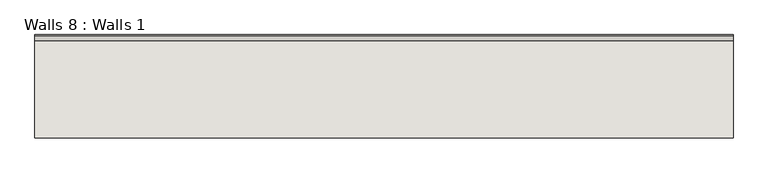
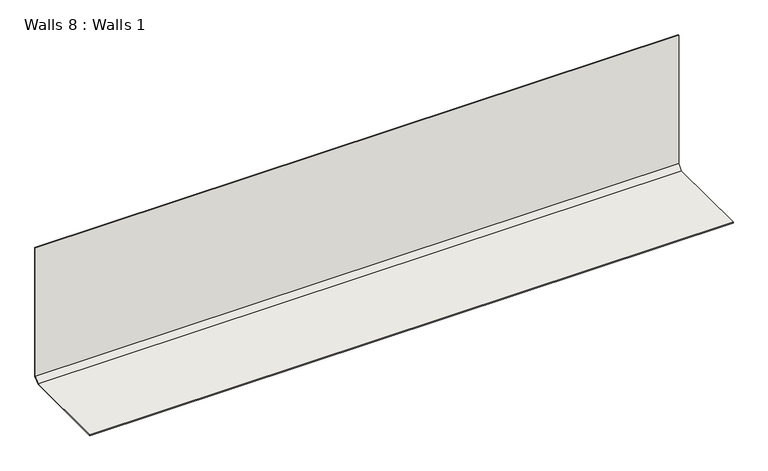
"""IFC4 building model written with IfcOpenShell, lengths in millimetres: wall geometry, Walls 8 : Walls 1."""

from ifc_helpers import new_model, si_unit, frame, origin, place, context, project, spatial, polyline, outline, extrude, source, transform, mapped, element, save


def walls_8_walls_1_2644981c(model_context):
    return source(origin(), model_context, "Body", "SweptSolid", [
        extrude(outline(polyline([(1760.5525118, 3.1732159), (1777.7444239, 20.3651281), (1777.7444239, 502.7360524), (1780.9194239, 502.7360524), (1780.9194239, 19.05), (1761.8694239, 0.0), (1442.4408797, 0.0), (1442.4408797, 3.1732159), (1760.5525118, 3.1732159)])), frame((1494.8594388, 0.0, 0.0), z_axis=(1.0, 0.0, 0.0), x_axis=(0.0, 1.0, 0.0)), (0.0, 0.0, 1.0), 2286.0),
    ])


if __name__ == "__main__":
    model = new_model("IFC4")
    model_context = context("Model", 3, world=origin())
    ifc_project = project(units=[si_unit("LENGTHUNIT", "METRE", prefix="MILLI")], contexts=[model_context])
    site = spatial("IfcSite", under=ifc_project)
    building = spatial("IfcBuilding", under=site)
    placement = place(None, origin())
    walls_8_walls_1_shape = walls_8_walls_1_2644981c(model_context)
    element("IfcWall", 1, ObjectType="Walls 8 : Walls 1", at=placement, inside=building, context=model_context, shape_type="MappedRepresentation", body=[
        mapped(walls_8_walls_1_shape, transform((0.0, 0.0, 0.0), x_axis=(1.0, 0.0, 0.0), y_axis=(0.0, 1.0, 0.0), z_axis=(0.0, 0.0, 1.0))),
    ])
    save(model, "model.ifc")
